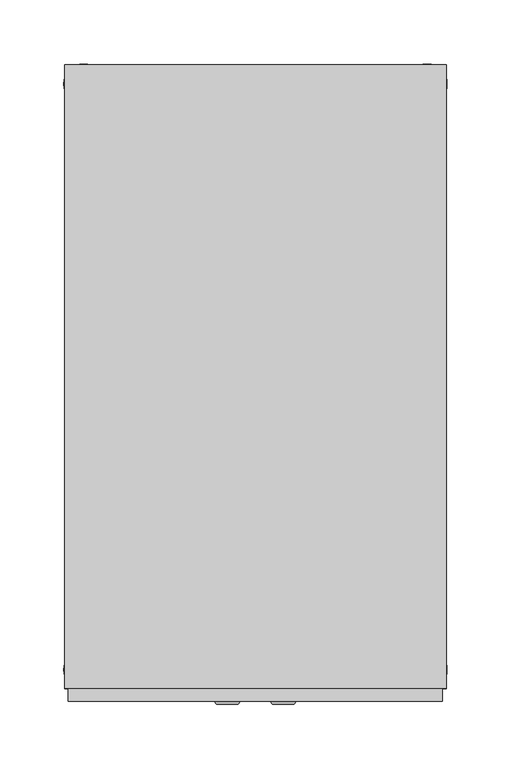
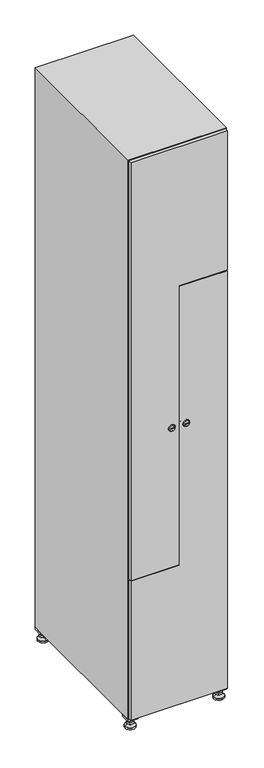
"""IFC4 building model written with IfcOpenShell, lengths in millimetres: furniture geometry."""

from ifc_helpers import new_model, si_unit, point, frame, frame_2d, origin, origin_with_axes, place, context, project, spatial, polyline, circle_curve, trimmed, segment, composite_curve, outline, extrude, faceted_brep, source, transform, mapped, element, save
from ifc_brep_helpers import plane_surface, revolved_surface, advanced_brep


def furniture_dfb10628(model_context):
    return source(origin(), model_context, "Body", "SolidModel", [
        extrude(outline(polyline([(100.0, 245.0), (100.0, 215.0), (70.0, 215.0), (70.0, 245.0), (100.0, 245.0)]), holes=[polyline([(98.0, 243.0), (72.0, 243.0), (72.0, 217.0), (98.0, 217.0), (98.0, 243.0)])]), frame((0.0, 0.0, 28.5), z_axis=(0.0, 0.0, 1.0), x_axis=(1.0, 0.0, 0.0)), (0.0, 0.0, 1.0), 6.5),
        extrude(outline(polyline([(70.0, -245.0), (70.0, -215.0), (100.0, -215.0), (100.0, -245.0), (70.0, -245.0)]), holes=[polyline([(72.0, -243.0), (98.0, -243.0), (98.0, -217.0), (72.0, -217.0), (72.0, -243.0)])]), frame((0.0, 0.0, 28.5), z_axis=(0.0, 0.0, 1.0), x_axis=(1.0, 0.0, 0.0)), (0.0, 0.0, 1.0), 6.5),
        extrude(outline(polyline([(-170.0, 245.0), (-170.0, 215.0), (-200.0, 215.0), (-200.0, 245.0), (-170.0, 245.0)]), holes=[polyline([(-172.0, 243.0), (-198.0, 243.0), (-198.0, 217.0), (-172.0, 217.0), (-172.0, 243.0)])]), frame((0.0, 0.0, 28.5), z_axis=(0.0, 0.0, 1.0), x_axis=(1.0, 0.0, 0.0)), (0.0, 0.0, 1.0), 6.5),
        extrude(outline(polyline([(-170.0, -215.0), (-170.0, -245.0), (-200.0, -245.0), (-200.0, -215.0), (-170.0, -215.0)]), holes=[polyline([(-198.0, -243.0), (-172.0, -243.0), (-172.0, -217.0), (-198.0, -217.0), (-198.0, -243.0)])]), frame((0.0, 0.0, 28.5), z_axis=(0.0, 0.0, 1.0), x_axis=(1.0, 0.0, 0.0)), (0.0, 0.0, 1.0), 6.5),
        extrude(outline(composite_curve([segment(trimmed(circle_curve(frame_2d((-185.0, 230.0)), 5.0), [point((-180.0, 230.0))], [point((-190.0, 230.0))], False, "CARTESIAN"), True, "CONTINUOUS"), segment(trimmed(circle_curve(frame_2d((-185.0, 230.0)), 5.0), [point((-190.0, 230.0))], [point((-180.0, 230.0))], False, "CARTESIAN"), True, "CONTINUOUS")], self_intersect=False)), frame((0.0, 0.0, 19.6), z_axis=(0.0, 0.0, 1.0), x_axis=(1.0, 0.0, 0.0)), (0.0, 0.0, 1.0), 15.4),
        extrude(outline(composite_curve([segment(trimmed(circle_curve(frame_2d((-185.0, -230.0)), 5.0), [point((-180.0, -230.0))], [point((-190.0, -230.0))], False, "CARTESIAN"), True, "CONTINUOUS"), segment(trimmed(circle_curve(frame_2d((-185.0, -230.0)), 5.0), [point((-190.0, -230.0))], [point((-180.0, -230.0))], False, "CARTESIAN"), True, "CONTINUOUS")], self_intersect=False)), frame((0.0, 0.0, 19.6), z_axis=(0.0, 0.0, 1.0), x_axis=(1.0, 0.0, 0.0)), (0.0, 0.0, 1.0), 15.4),
        extrude(outline(composite_curve([segment(trimmed(circle_curve(frame_2d((85.0, 230.0)), 5.0), [point((90.0, 230.0))], [point((80.0, 230.0))], False, "CARTESIAN"), True, "CONTINUOUS"), segment(trimmed(circle_curve(frame_2d((85.0, 230.0)), 5.0), [point((80.0, 230.0))], [point((90.0, 230.0))], False, "CARTESIAN"), True, "CONTINUOUS")], self_intersect=False)), frame((0.0, 0.0, 19.6), z_axis=(0.0, 0.0, 1.0), x_axis=(1.0, 0.0, 0.0)), (0.0, 0.0, 1.0), 15.4),
        extrude(outline(polyline([(73.4529946, 230.0), (79.2264973, 240.0), (90.7735027, 240.0), (96.5470054, 230.0), (90.7735027, 220.0), (79.2264973, 220.0), (73.4529946, 230.0)])), frame((0.0, 0.0, 13.6), z_axis=(0.0, 0.0, 1.0), x_axis=(1.0, 0.0, 0.0)), (0.0, 0.0, 1.0), 6.0),
        extrude(outline(composite_curve([segment(trimmed(circle_curve(frame_2d((85.0, -230.0)), 5.0), [point((90.0, -230.0))], [point((80.0, -230.0))], False, "CARTESIAN"), True, "CONTINUOUS"), segment(trimmed(circle_curve(frame_2d((85.0, -230.0)), 5.0), [point((80.0, -230.0))], [point((90.0, -230.0))], False, "CARTESIAN"), True, "CONTINUOUS")], self_intersect=False)), frame((0.0, 0.0, 19.6), z_axis=(0.0, 0.0, 1.0), x_axis=(1.0, 0.0, 0.0)), (0.0, 0.0, 1.0), 15.4),
        extrude(outline(polyline([(73.4529946, -230.0), (79.2264973, -220.0), (90.7735027, -220.0), (96.5470054, -230.0), (90.7735027, -240.0), (79.2264973, -240.0), (73.4529946, -230.0)])), frame((0.0, 0.0, 13.6), z_axis=(0.0, 0.0, 1.0), x_axis=(1.0, 0.0, 0.0)), (0.0, 0.0, 1.0), 6.0),
        extrude(outline(composite_curve([segment(trimmed(circle_curve(frame_2d((85.0, 230.0)), 5.0), [point((90.0, 230.0))], [point((80.0, 230.0))], False, "CARTESIAN"), True, "CONTINUOUS"), segment(trimmed(circle_curve(frame_2d((85.0, 230.0)), 5.0), [point((80.0, 230.0))], [point((90.0, 230.0))], False, "CARTESIAN"), True, "CONTINUOUS")], self_intersect=False)), frame((0.0, 0.0, 12.1), z_axis=(0.0, 0.0, 1.0), x_axis=(1.0, 0.0, 0.0)), (0.0, 0.0, 1.0), 1.5),
        extrude(outline(composite_curve([segment(trimmed(circle_curve(frame_2d((85.0, -230.0)), 5.0), [point((90.0, -230.0))], [point((80.0, -230.0))], False, "CARTESIAN"), True, "CONTINUOUS"), segment(trimmed(circle_curve(frame_2d((85.0, -230.0)), 5.0), [point((80.0, -230.0))], [point((90.0, -230.0))], False, "CARTESIAN"), True, "CONTINUOUS")], self_intersect=False)), frame((0.0, 0.0, 12.1), z_axis=(0.0, 0.0, 1.0), x_axis=(1.0, 0.0, 0.0)), (0.0, 0.0, 1.0), 1.5),
        extrude(outline(polyline([(-196.5470054, 230.0), (-190.7735027, 240.0), (-179.2264973, 240.0), (-173.4529946, 230.0), (-179.2264973, 220.0), (-190.7735027, 220.0), (-196.5470054, 230.0)])), frame((0.0, 0.0, 13.6), z_axis=(0.0, 0.0, 1.0), x_axis=(1.0, 0.0, 0.0)), (0.0, 0.0, 1.0), 6.0),
        extrude(outline(polyline([(-196.5470054, -230.0), (-190.7735027, -220.0), (-179.2264973, -220.0), (-173.4529946, -230.0), (-179.2264973, -240.0), (-190.7735027, -240.0), (-196.5470054, -230.0)])), frame((0.0, 0.0, 13.6), z_axis=(0.0, 0.0, 1.0), x_axis=(1.0, 0.0, 0.0)), (0.0, 0.0, 1.0), 6.0),
        extrude(outline(composite_curve([segment(trimmed(circle_curve(frame_2d((-185.0, 230.0)), 5.0), [point((-185.0, 235.0))], [point((-185.0, 225.0))], False, "CARTESIAN"), True, "CONTINUOUS"), segment(trimmed(circle_curve(frame_2d((-185.0, 230.0)), 5.0), [point((-185.0, 225.0))], [point((-185.0, 235.0))], False, "CARTESIAN"), True, "CONTINUOUS")], self_intersect=False)), frame((0.0, 0.0, 12.1), z_axis=(0.0, 0.0, 1.0), x_axis=(1.0, 0.0, 0.0)), (0.0, 0.0, 1.0), 1.5),
        extrude(outline(composite_curve([segment(trimmed(circle_curve(frame_2d((-185.0, -230.0)), 5.0), [point((-180.0, -230.0))], [point((-190.0, -230.0))], False, "CARTESIAN"), True, "CONTINUOUS"), segment(trimmed(circle_curve(frame_2d((-185.0, -230.0)), 5.0), [point((-190.0, -230.0))], [point((-180.0, -230.0))], False, "CARTESIAN"), True, "CONTINUOUS")], self_intersect=False)), frame((0.0, 0.0, 12.1), z_axis=(0.0, 0.0, 1.0), x_axis=(1.0, 0.0, 0.0)), (0.0, 0.0, 1.0), 1.5),
        extrude(outline(composite_curve([segment(trimmed(circle_curve(frame_2d((85.0, 230.0)), 15.75), [point((100.75, 230.0))], [point((69.25, 230.0))], False, "CARTESIAN"), True, "CONTINUOUS"), segment(trimmed(circle_curve(frame_2d((85.0, 230.0)), 15.75), [point((69.25, 230.0))], [point((100.75, 230.0))], False, "CARTESIAN"), True, "CONTINUOUS")], self_intersect=False)), origin_with_axes(), (0.0, 0.0, 1.0), 5.1),
        extrude(outline(composite_curve([segment(trimmed(circle_curve(frame_2d((85.0, -230.0)), 15.75), [point((85.0, -214.25))], [point((85.0, -245.75))], False, "CARTESIAN"), True, "CONTINUOUS"), segment(trimmed(circle_curve(frame_2d((85.0, -230.0)), 15.75), [point((85.0, -245.75))], [point((85.0, -214.25))], False, "CARTESIAN"), True, "CONTINUOUS")], self_intersect=False)), origin_with_axes(), (0.0, 0.0, 1.0), 5.1),
        extrude(outline(composite_curve([segment(trimmed(circle_curve(frame_2d((-185.0, -230.0)), 15.75), [point((-169.25, -230.0))], [point((-200.75, -230.0))], False, "CARTESIAN"), True, "CONTINUOUS"), segment(trimmed(circle_curve(frame_2d((-185.0, -230.0)), 15.75), [point((-200.75, -230.0))], [point((-169.25, -230.0))], False, "CARTESIAN"), True, "CONTINUOUS")], self_intersect=False)), origin_with_axes(), (0.0, 0.0, 1.0), 5.1),
        extrude(outline(composite_curve([segment(trimmed(circle_curve(frame_2d((-185.0, 230.0)), 15.75), [point((-169.25, 230.0))], [point((-200.75, 230.0))], False, "CARTESIAN"), True, "CONTINUOUS"), segment(trimmed(circle_curve(frame_2d((-185.0, 230.0)), 15.75), [point((-200.75, 230.0))], [point((-169.25, 230.0))], False, "CARTESIAN"), True, "CONTINUOUS")], self_intersect=False)), origin_with_axes(), (0.0, 0.0, 1.0), 5.1),
        advanced_brep(
        [(-185.0, 239.5, 12.1), (-185.0, 220.5, 12.1), (-185.0, 214.25, 5.1), (-185.0, 245.75, 5.1)],
        [
            (0, 1, circle_curve(frame((-185.0, 230.0, 12.1), z_axis=(0.0, 0.0, -1.0), x_axis=(0.0, 1.0, 0.0)), 9.5)),
            (1, 2),
            (2, 3, circle_curve(frame((-185.0, 230.0, 5.1), z_axis=(0.0, 0.0, 1.0), x_axis=(0.0, 1.0, 0.0)), 15.75)),
            (3, 0),
            (1, 0, circle_curve(frame((-185.0, 230.0, 12.1), z_axis=(0.0, 0.0, -1.0), x_axis=(0.0, -1.0, 0.0)), 9.5)),
            (3, 2, circle_curve(frame((-185.0, 230.0, 5.1), z_axis=(0.0, 0.0, 1.0), x_axis=(0.0, -1.0, 0.0)), 15.75)),
        ],
        [
            revolved_surface(polyline([(-185.0, 220.5, 12.099999999999998), (-185.0, 214.25, 5.099999999999998)]), (-185.0, 230.0, 22.74), (0.0, 0.0, -1.0)),
            revolved_surface(polyline([(-185.0, 239.5, 12.099999999999998), (-185.0, 245.75, 5.099999999999998)]), (-185.0, 230.0, 22.74), (0.0, 0.0, -1.0)),
            plane_surface(frame((-185.0, 230.0, 5.1), z_axis=(0.0, 0.0, -1.0), x_axis=(1.0, 0.0, 0.0))),
            plane_surface(frame((-185.0, 230.0, 12.1), z_axis=(0.0, 0.0, 1.0), x_axis=(1.0, 0.0, 0.0))),
        ],
        [
            (0, [[1, 2, 3, 4]]),
            (1, [[5, -4, 6, -2]]),
            (2, [[-3, -6]]),
            (3, [[-5, -1]]),
        ],
    ),
        advanced_brep(
        [(85.0, 239.5, 12.1), (85.0, 220.5, 12.1), (85.0, 214.25, 5.1), (85.0, 245.75, 5.1)],
        [
            (0, 1, circle_curve(frame((85.0, 230.0, 12.1), z_axis=(0.0, 0.0, -1.0), x_axis=(0.0, 1.0, 0.0)), 9.5)),
            (1, 2),
            (2, 3, circle_curve(frame((85.0, 230.0, 5.1), z_axis=(0.0, 0.0, 1.0), x_axis=(0.0, 1.0, 0.0)), 15.75)),
            (3, 0),
            (1, 0, circle_curve(frame((85.0, 230.0, 12.1), z_axis=(0.0, 0.0, -1.0), x_axis=(0.0, -1.0, 0.0)), 9.5)),
            (3, 2, circle_curve(frame((85.0, 230.0, 5.1), z_axis=(0.0, 0.0, 1.0), x_axis=(0.0, -1.0, 0.0)), 15.75)),
        ],
        [
            revolved_surface(polyline([(85.0, 220.5, 12.099999999999998), (85.0, 214.25, 5.099999999999998)]), (85.0, 230.0, 22.74), (0.0, 0.0, -1.0)),
            revolved_surface(polyline([(85.0, 239.5, 12.099999999999998), (85.0, 245.75, 5.099999999999998)]), (85.0, 230.0, 22.74), (0.0, 0.0, -1.0)),
            plane_surface(frame((85.0, 230.0, 5.1), z_axis=(0.0, 0.0, -1.0), x_axis=(1.0, 0.0, 0.0))),
            plane_surface(frame((85.0, 230.0, 12.1), z_axis=(0.0, 0.0, 1.0), x_axis=(1.0, 0.0, 0.0))),
        ],
        [
            (0, [[1, 2, 3, 4]]),
            (1, [[5, -4, 6, -2]]),
            (2, [[-3, -6]]),
            (3, [[-5, -1]]),
        ],
    ),
        advanced_brep(
        [(100.75, -230.0, 5.1), (69.25, -230.0, 5.1), (75.5, -230.0, 12.1), (94.5, -230.0, 12.1)],
        [
            (0, 1, circle_curve(frame((85.0, -230.0, 5.1), z_axis=(0.0, 0.0, 1.0), x_axis=(1.0, 0.0, 0.0)), 15.75)),
            (1, 2),
            (2, 3, circle_curve(frame((85.0, -230.0, 12.1), z_axis=(0.0, 0.0, -1.0), x_axis=(1.0, 0.0, 0.0)), 9.5)),
            (3, 0),
            (1, 0, circle_curve(frame((85.0, -230.0, 5.1), z_axis=(0.0, 0.0, 1.0), x_axis=(-1.0, 0.0, 0.0)), 15.75)),
            (3, 2, circle_curve(frame((85.0, -230.0, 12.1), z_axis=(0.0, 0.0, -1.0), x_axis=(-1.0, 0.0, 0.0)), 9.5)),
        ],
        [
            revolved_surface(polyline([(94.5, -230.0, 12.099999999999998), (100.75, -230.0, 5.099999999999998)]), (85.0, -230.0, 22.74), (0.0, 0.0, -1.0)),
            revolved_surface(polyline([(75.5, -230.0, 12.099999999999998), (69.25, -230.0, 5.099999999999998)]), (85.0, -230.0, 22.74), (0.0, 0.0, -1.0)),
            plane_surface(frame((85.0, -230.0, 12.1), z_axis=(0.0, 0.0, 1.0), x_axis=(0.0, 1.0, 0.0))),
            plane_surface(frame((85.0, -230.0, 5.1), z_axis=(0.0, 0.0, -1.0), x_axis=(0.0, 1.0, 0.0))),
        ],
        [
            (0, [[1, 2, 3, 4]]),
            (1, [[5, -4, 6, -2]]),
            (2, [[-3, -6]]),
            (3, [[-5, -1]]),
        ],
    ),
        advanced_brep(
        [(-169.25, -230.0, 5.1), (-200.75, -230.0, 5.1), (-194.5, -230.0, 12.1), (-175.5, -230.0, 12.1)],
        [
            (0, 1, circle_curve(frame((-185.0, -230.0, 5.1), z_axis=(0.0, 0.0, 1.0), x_axis=(1.0, 0.0, 0.0)), 15.75)),
            (1, 2),
            (2, 3, circle_curve(frame((-185.0, -230.0, 12.1), z_axis=(0.0, 0.0, -1.0), x_axis=(1.0, 0.0, 0.0)), 9.5)),
            (3, 0),
            (1, 0, circle_curve(frame((-185.0, -230.0, 5.1), z_axis=(0.0, 0.0, 1.0), x_axis=(-1.0, 0.0, 0.0)), 15.75)),
            (3, 2, circle_curve(frame((-185.0, -230.0, 12.1), z_axis=(0.0, 0.0, -1.0), x_axis=(-1.0, 0.0, 0.0)), 9.5)),
        ],
        [
            revolved_surface(polyline([(-175.5, -230.0, 12.099999999999998), (-169.25, -230.0, 5.099999999999998)]), (-185.0, -230.0, 22.74), (0.0, 0.0, -1.0)),
            revolved_surface(polyline([(-194.5, -230.0, 12.099999999999998), (-200.75, -230.0, 5.099999999999998)]), (-185.0, -230.0, 22.74), (0.0, 0.0, -1.0)),
            plane_surface(frame((-185.0, -230.0, 12.1), z_axis=(0.0, 0.0, 1.0), x_axis=(0.0, 1.0, 0.0))),
            plane_surface(frame((-185.0, -230.0, 5.1), z_axis=(0.0, 0.0, -1.0), x_axis=(0.0, 1.0, 0.0))),
        ],
        [
            (0, [[1, 2, 3, 4]]),
            (1, [[5, -4, 6, -2]]),
            (2, [[-3, -6]]),
            (3, [[-5, -1]]),
        ],
    ),
        extrude(outline(composite_curve([segment(trimmed(circle_curve(frame_2d((935.0, -45.2010534)), 7.0), [point((928.0, -45.2010534))], [point((942.0, -45.2010534))], False, "CARTESIAN"), True, "CONTINUOUS"), segment(polyline([(942.0, -45.2010534), (942.0, -73.2010534)]), True, "CONTINUOUS"), segment(trimmed(circle_curve(frame_2d((935.0, -73.2010534)), 7.0), [point((942.0, -73.2010534))], [point((928.0, -73.2010534))], False, "CARTESIAN"), True, "CONTINUOUS"), segment(polyline([(928.0, -73.2010534), (928.0, -45.2010534)]), True, "CONTINUOUS")], self_intersect=False)), frame((0.0, -245.0, 0.0), z_axis=(0.0, 1.0, 0.0), x_axis=(0.0, 0.0, 1.0)), (0.0, 0.0, 1.0), 2.0),
        advanced_brep(
        [(-80.5, -257.2, 935.0), (-63.5, -257.2, 935.0), (-67.0, -257.2, 936.25), (-67.0, -257.2, 933.75), (-77.0, -257.2, 933.75), (-77.0, -257.2, 936.25), (-82.5, -255.0, 935.0), (-61.5, -255.0, 935.0), (-67.0, -255.0, 933.75), (-67.0, -255.0, 936.25), (-77.0, -255.0, 936.25), (-77.0, -255.0, 933.75)],
        [
            (0, 1, circle_curve(frame((-72.0, -257.2, 935.0), z_axis=(0.0, -1.0, 0.0), x_axis=(-1.0, 0.0, 0.0)), 8.5)),
            (1, 0, circle_curve(frame((-72.0, -257.2, 935.0), z_axis=(0.0, -1.0, 0.0), x_axis=(1.0, 0.0, 0.0)), 8.5)),
            (2, 3),
            (3, 4),
            (4, 5),
            (5, 2),
            (6, 7, circle_curve(frame((-72.0, -255.0, 935.0), z_axis=(0.0, 1.0, 0.0), x_axis=(1.0, 0.0, 0.0)), 10.5)),
            (7, 6, circle_curve(frame((-72.0, -255.0, 935.0), z_axis=(0.0, 1.0, 0.0), x_axis=(-1.0, 0.0, 0.0)), 10.5)),
            (8, 9),
            (9, 10),
            (10, 11),
            (11, 8),
            (0, 6),
            (7, 1),
            (8, 3),
            (2, 9),
            (11, 4),
            (10, 5),
        ],
        [
            plane_surface(frame((-72.0, -257.2, 935.0), z_axis=(0.0, -1.0, 0.0), x_axis=(0.0, 0.0, -1.0))),
            plane_surface(frame((-72.0, -255.0, 935.0), z_axis=(0.0, 1.0, 0.0), x_axis=(0.0, 0.0, -1.0))),
            revolved_surface(polyline([(-80.50000000000001, -257.2, 935.0), (-82.5, -255.0, 935.0)]), (-72.0, -266.55, 935.0), (0.0, 1.0, 0.0)),
            revolved_surface(polyline([(-63.499999999999986, -257.2, 935.0), (-61.5, -255.0, 935.0)]), (-72.0, -266.55, 935.0), (0.0, 1.0, 0.0)),
            plane_surface(frame((-67.0, -255.0, 936.25), z_axis=(-1.0, 0.0, 0.0), x_axis=(0.0, -1.0, 0.0))),
            plane_surface(frame((-67.0, -255.0, 933.75), z_axis=(0.0, 0.0, 1.0), x_axis=(0.0, -1.0, 0.0))),
            plane_surface(frame((-77.0, -255.0, 933.75), z_axis=(1.0, 0.0, 0.0), x_axis=(0.0, -1.0, 0.0))),
            plane_surface(frame((-77.0, -255.0, 936.25), z_axis=(0.0, 0.0, -1.0), x_axis=(0.0, -1.0, 0.0))),
        ],
        [
            (0, [[1, 2], [3, 4, 5, 6]]),
            (1, [[7, 8], [9, 10, 11, 12]]),
            (2, [[-1, 13, -8, 14]]),
            (3, [[-2, -14, -7, -13]]),
            (4, [[15, -3, 16, -9]]),
            (5, [[-15, -12, 17, -4]]),
            (6, [[-17, -11, 18, -5]]),
            (7, [[-16, -6, -18, -10]]),
        ],
    ),
        extrude(outline(polyline([(1832.0, -197.0), (488.0, -197.0), (488.0, -51.5), (1385.0, -51.5), (1385.0, 97.0), (1832.0, 97.0), (1832.0, -197.0)])), frame((0.0, -255.0, 0.0), z_axis=(0.0, 1.0, 0.0), x_axis=(0.0, 0.0, 1.0)), (0.0, 0.0, 1.0), 10.0),
        extrude(outline(composite_curve([segment(trimmed(circle_curve(frame_2d((935.0, -54.7989466)), 7.0), [point((942.0, -54.7989466))], [point((928.0, -54.7989466))], False, "CARTESIAN"), True, "CONTINUOUS"), segment(polyline([(928.0, -54.7989466), (928.0, -26.7989466)]), True, "CONTINUOUS"), segment(trimmed(circle_curve(frame_2d((935.0, -26.7989466)), 7.0), [point((928.0, -26.7989466))], [point((942.0, -26.7989466))], False, "CARTESIAN"), True, "CONTINUOUS"), segment(polyline([(942.0, -26.7989466), (942.0, -54.7989466)]), True, "CONTINUOUS")], self_intersect=False)), frame((0.0, -245.0, 0.0), z_axis=(0.0, 1.0, 0.0), x_axis=(0.0, 0.0, 1.0)), (0.0, 0.0, 1.0), 2.0),
        advanced_brep(
        [(-19.5, -257.2, 935.0), (-36.5, -257.2, 935.0), (-33.0, -257.2, 933.75), (-33.0, -257.2, 936.25), (-23.0, -257.2, 936.25), (-23.0, -257.2, 933.75), (-17.5, -255.0, 935.0), (-38.5, -255.0, 935.0), (-33.0, -255.0, 936.25), (-33.0, -255.0, 933.75), (-23.0, -255.0, 933.75), (-23.0, -255.0, 936.25)],
        [
            (0, 1, circle_curve(frame((-28.0, -257.2, 935.0), z_axis=(0.0, -1.0, 0.0), x_axis=(1.0, 0.0, 0.0)), 8.5)),
            (1, 0, circle_curve(frame((-28.0, -257.2, 935.0), z_axis=(0.0, -1.0, 0.0), x_axis=(-1.0, 0.0, 0.0)), 8.5)),
            (2, 3),
            (3, 4),
            (4, 5),
            (5, 2),
            (6, 7, circle_curve(frame((-28.0, -255.0, 935.0), z_axis=(0.0, 1.0, 0.0), x_axis=(-1.0, 0.0, 0.0)), 10.5)),
            (7, 6, circle_curve(frame((-28.0, -255.0, 935.0), z_axis=(0.0, 1.0, 0.0), x_axis=(1.0, 0.0, 0.0)), 10.5)),
            (8, 9),
            (9, 10),
            (10, 11),
            (11, 8),
            (0, 6),
            (7, 1),
            (8, 3),
            (2, 9),
            (11, 4),
            (10, 5),
        ],
        [
            plane_surface(frame((-28.0, -257.2, 935.0), z_axis=(0.0, -1.0, 0.0), x_axis=(0.0, 0.0, 1.0))),
            plane_surface(frame((-28.0, -255.0, 935.0), z_axis=(0.0, 1.0, 0.0), x_axis=(0.0, 0.0, 1.0))),
            revolved_surface(polyline([(-19.499999999999986, -257.2, 935.0), (-17.5, -255.0, 935.0)]), (-28.0, -266.55, 935.0), (0.0, 1.0, 0.0)),
            revolved_surface(polyline([(-36.500000000000014, -257.2, 935.0), (-38.5, -255.0, 935.0)]), (-28.0, -266.55, 935.0), (0.0, 1.0, 0.0)),
            plane_surface(frame((-33.0, -255.0, 933.75), z_axis=(1.0, 0.0, 0.0), x_axis=(0.0, -1.0, 0.0))),
            plane_surface(frame((-33.0, -255.0, 936.25), z_axis=(0.0, 0.0, -1.0), x_axis=(0.0, -1.0, 0.0))),
            plane_surface(frame((-23.0, -255.0, 936.25), z_axis=(-1.0, 0.0, 0.0), x_axis=(0.0, -1.0, 0.0))),
            plane_surface(frame((-23.0, -255.0, 933.75), z_axis=(0.0, 0.0, 1.0), x_axis=(0.0, -1.0, 0.0))),
        ],
        [
            (0, [[1, 2], [3, 4, 5, 6]]),
            (1, [[7, 8], [9, 10, 11, 12]]),
            (2, [[-1, 13, -8, 14]]),
            (3, [[-2, -14, -7, -13]]),
            (4, [[15, -3, 16, -9]]),
            (5, [[-15, -12, 17, -4]]),
            (6, [[-17, -11, 18, -5]]),
            (7, [[-16, -6, -18, -10]]),
        ],
    ),
        extrude(outline(polyline([(38.0, 97.0), (1382.0, 97.0), (1382.0, -48.5), (485.0, -48.5), (485.0, -197.0), (38.0, -197.0), (38.0, 97.0)])), frame((0.0, -255.0, 0.0), z_axis=(0.0, 1.0, 0.0), x_axis=(0.0, 0.0, 1.0)), (0.0, 0.0, 1.0), 10.0),
        extrude(outline(polyline([(1373.3, 79.6), (1393.7, 79.6), (1393.7, -60.2), (496.7, -60.2), (496.7, -179.6), (476.3, -179.6), (476.3, -39.8), (1373.3, -39.8), (1373.3, 79.6)])), frame((0.0, -245.0, 0.0), z_axis=(0.0, 1.0, 0.0), x_axis=(0.0, 0.0, 1.0)), (0.0, 0.0, 1.0), 487.0),
        faceted_brep([(100.0, -245.0, 35.0), (100.0, -245.0, 1835.0), (-200.0, -245.0, 1835.0), (-200.0, -245.0, 35.0), (79.6, -245.0, 1804.8), (79.6, -245.0, 65.2), (-179.6, -245.0, 65.2), (-179.6, -245.0, 1804.8), (100.0, 245.0, 35.0), (-200.0, 245.0, 35.0), (100.0, 245.0, 1835.0), (-200.0, 245.0, 1835.0), (79.6, 242.0, 1804.8), (79.6, 242.0, 65.2), (-200.0, 245.0, 1804.8), (-179.6, 242.0, 1804.8), (-179.6, 242.0, 65.2)], [[[0, 1, 2, 3], [4, 5, 6, 7]], [[8, 0, 3, 9]], [[1, 0, 8, 10]], [[1, 10, 11, 2]], [[4, 12, 13, 5]], [[9, 3, 2, 11, 14]], [[10, 8, 9, 14, 11]], [[12, 15, 16, 13]], [[15, 7, 6, 16]], [[4, 7, 15, 12]], [[6, 5, 13, 16]]]),
    ])


if __name__ == "__main__":
    model = new_model("IFC4")
    model_context = context("Model", 3, world=origin())
    ifc_project = project(units=[si_unit("LENGTHUNIT", "METRE", prefix="MILLI")], contexts=[model_context])
    site = spatial("IfcSite", under=ifc_project)
    building = spatial("IfcBuilding", under=site)
    placement = place(None, origin())
    furniture_shape = furniture_dfb10628(model_context)
    element("IfcFurniture", 1, at=placement, inside=building, context=model_context, shape_type="MappedRepresentation", body=[
        mapped(furniture_shape, transform((0.0, 0.0, 0.0), x_axis=(1.0, 0.0, 0.0), y_axis=(0.0, 1.0, 0.0), z_axis=(0.0, 0.0, 1.0))),
    ])
    save(model, "model.ifc")
